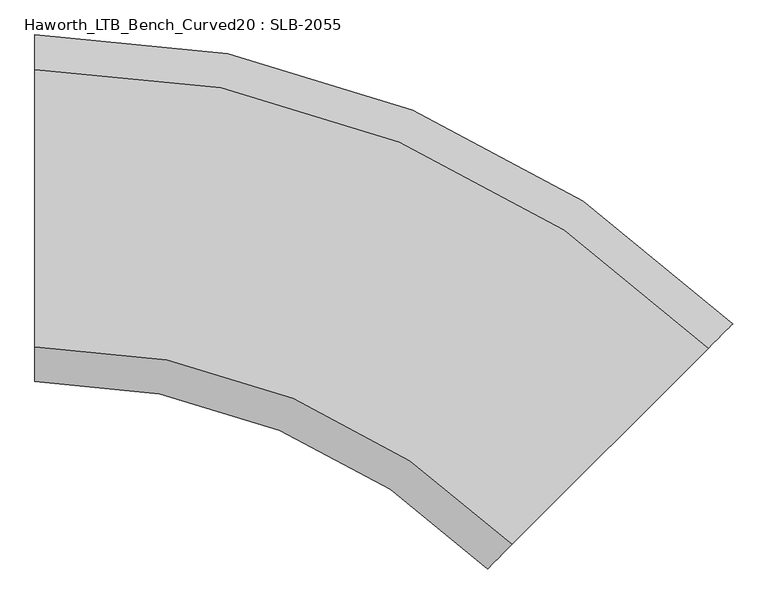
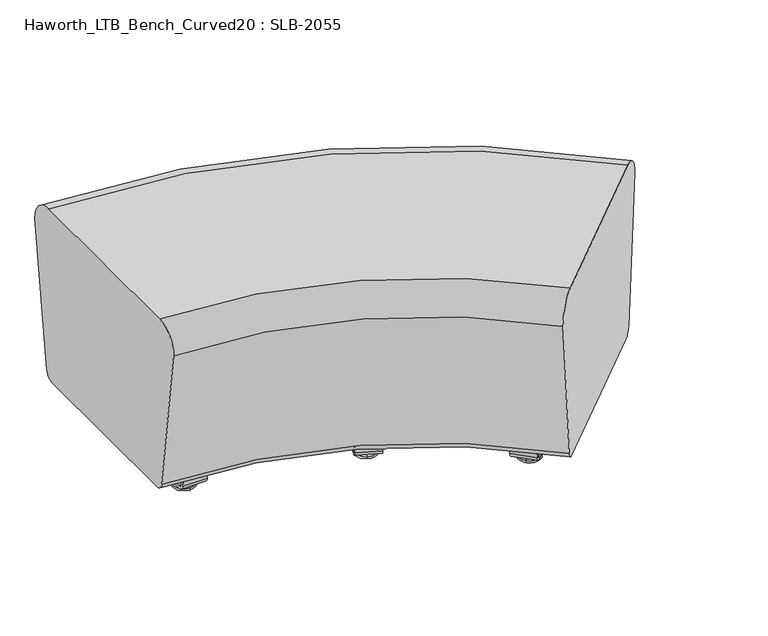
"""IFC4 building model written with IfcOpenShell, lengths in millimetres: furniture geometry, Haworth_LTB_Bench_Curved20 : SLB-2055."""

from ifc_helpers import new_model, si_unit, point, frame, frame_2d, origin, place, context, project, spatial, polyline, circle_curve, ellipse_curve, trimmed, segment, composite_curve, outline, extrude, source, transform, mapped, element, save
from ifc_brep_helpers import plane_surface, cylinder_surface, revolved_surface, advanced_brep


def haworth_ltb_bench_curved20_slb_2055_7f0cf8d8(model_context):
    return source(origin(), model_context, "Body", "SolidModel", [
        advanced_brep(
        [(668.2657909, -374.5060237, 7.8133431), (661.5305988, -381.2412158, 7.8133431), (659.2437991, -383.5280155, 7.8133431), (670.5525906, -372.219224, 7.8133431), (649.3850661, -393.3867485, 4.0775), (680.4113236, -362.360491, 4.0775), (649.6753697, -393.0964449, 0.0), (680.12102, -362.6507946, 0.0), (664.8981948, -377.8736198, 0.0), (664.8981948, -377.8736198, 50.0000004), (661.5305988, -381.2412158, 50.0000004), (668.2657909, -374.5060237, 50.0000004)],
        [
            (0, 1, circle_curve(frame((664.8981948, -377.8736198, 7.8133431), z_axis=(0.0, 0.0, -1.0), x_axis=(-0.7071067811865458, -0.7071067811865493, 0.0)), 4.7625)),
            (1, 2),
            (2, 3, circle_curve(frame((664.8981948, -377.8736198, 7.8133431), z_axis=(0.0, 0.0, 1.0), x_axis=(-0.7071067811865458, -0.7071067811865493, 0.0)), 7.9965232)),
            (3, 0),
            (1, 0, circle_curve(frame((664.8981948, -377.8736198, 7.8133431), z_axis=(0.0, 0.0, -1.0), x_axis=(-0.7071067811865458, -0.7071067811865493, 0.0)), 4.7625)),
            (3, 2, circle_curve(frame((664.8981948, -377.8736198, 7.8133431), z_axis=(0.0, 0.0, 1.0), x_axis=(-0.7071067811865458, -0.7071067811865493, 0.0)), 7.9965232)),
            (2, 4),
            (4, 5, circle_curve(frame((664.8981948, -377.8736198, 4.0775), z_axis=(0.0, 0.0, 1.0), x_axis=(-0.7071067811865458, -0.7071067811865493, 0.0)), 21.9388771)),
            (5, 3),
            (5, 4, circle_curve(frame((664.8981948, -377.8736198, 4.0775), z_axis=(0.0, 0.0, 1.0), x_axis=(-0.7071067811865458, -0.7071067811865493, 0.0)), 21.9388771)),
            (4, 6, circle_curve(frame((649.765011, -393.0068036, 2.0721829), z_axis=(0.7071067811865493, -0.7071067811865458, 0.0), x_axis=(0.7071067811865458, 0.7071067811865493, 0.0)), 2.0760571)),
            (6, 7, circle_curve(frame((664.8981948, -377.8736198, 0.0), z_axis=(0.0, 0.0, 1.0), x_axis=(-0.7071067811865458, -0.7071067811865493, 0.0)), 21.5283258)),
            (7, 5, circle_curve(frame((680.0313787, -362.7404359, 2.0721829), z_axis=(0.707106781186547, -0.7071067811865481, 0.0), x_axis=(-0.7071067811865481, -0.707106781186547, 0.0)), 2.0760571)),
            (7, 6, circle_curve(frame((664.8981948, -377.8736198, 0.0), z_axis=(0.0, 0.0, 1.0), x_axis=(-0.7071067811865458, -0.7071067811865493, 0.0)), 21.5283258)),
            (6, 8),
            (8, 7),
            (9, 10),
            (10, 11, circle_curve(frame((664.8981948, -377.8736198, 50.0000004), z_axis=(0.0, 0.0, 1.0), x_axis=(-0.7071067811865458, -0.7071067811865493, 0.0)), 4.7625)),
            (11, 9),
            (11, 10, circle_curve(frame((664.8981948, -377.8736198, 50.0000004), z_axis=(0.0, 0.0, 1.0), x_axis=(-0.7071067811865458, -0.7071067811865493, 0.0)), 4.7625)),
            (10, 1),
            (0, 11),
        ],
        [
            plane_surface(frame((664.8981948, -377.8736198, 7.8133431), z_axis=(0.0, 0.0, 1.0), x_axis=(-0.7071067811865458, -0.7071067811865493, 0.0))),
            revolved_surface(polyline([(649.3850661, -393.3867485, 4.0775), (659.2437991, -383.5280155, 7.8133431)]), (664.8981948, -377.8736198, 0.0), (0.0, 0.0, 1.0)),
            revolved_surface(trimmed(ellipse_curve(frame((649.765011, -393.0068036, 2.0721829), z_axis=(-0.7071067811865493, 0.7071067811865458, 0.0), x_axis=(0.7071067811865458, 0.7071067811865493, 0.0)), 2.0760571, 2.0760571), [point((649.6753697, -393.0964449, 0.0))], [point((649.3850661, -393.3867485, 4.0775))], True, "CARTESIAN"), (664.8981948, -377.8736198, 0.0), (0.0, 0.0, 1.0)),
            plane_surface(frame((664.8981948, -377.8736198, 0.0), z_axis=(0.0, 0.0, -1.0), x_axis=(-0.7071067811865458, -0.7071067811865493, 0.0))),
            plane_surface(frame((664.8981948, -377.8736198, 50.0000004), z_axis=(0.0, 0.0, 1.0), x_axis=(-0.7071067811865458, -0.7071067811865493, 0.0))),
            cylinder_surface(frame((664.8981948, -377.8736198, 0.0), z_axis=(0.0, 0.0, 1.0), x_axis=(-0.7071067811865458, -0.7071067811865493, 0.0)), 4.7625),
        ],
        [
            (0, [[1, 2, 3, 4]]),
            (0, [[5, -4, 6, -2]]),
            (1, [[-3, 7, 8, 9]]),
            (1, [[-6, -9, 10, -7]]),
            (2, [[-8, 11, 12, 13]]),
            (2, [[-10, -13, 14, -11]]),
            (3, [[-12, 15, 16]]),
            (3, [[-14, -16, -15]]),
            (4, [[17, 18, 19]]),
            (4, [[-19, 20, -17]]),
            (5, [[-18, 21, -1, 22]]),
            (5, [[-20, -22, -5, -21]]),
        ],
    ),
        advanced_brep(
        [(861.2486902, -181.5231244, 7.8133431), (872.5574817, -170.2143329, 7.8133431), (870.270682, -172.5011326, 7.8133431), (863.5354899, -179.2363247, 7.8133431), (851.3899572, -191.3818574, 4.0775), (882.4162147, -160.3555999, 4.0775), (851.6802608, -191.0915538, 0.0), (882.1259112, -160.6459035, 0.0), (866.903086, -175.8687286, 0.0), (863.5354899, -179.2363247, 50.0000004), (870.270682, -172.5011326, 50.0000004), (866.903086, -175.8687286, 50.0000004)],
        [
            (0, 1, circle_curve(frame((866.903086, -175.8687286, 7.8133431), z_axis=(0.0, 0.0, 1.0), x_axis=(0.707106781186548, 0.7071067811865471, 0.0)), 7.9965232)),
            (1, 2),
            (2, 3, circle_curve(frame((866.903086, -175.8687286, 7.8133431), z_axis=(0.0, 0.0, -1.0), x_axis=(0.707106781186548, 0.7071067811865471, 0.0)), 4.7625)),
            (3, 0),
            (1, 0, circle_curve(frame((866.903086, -175.8687286, 7.8133431), z_axis=(0.0, 0.0, 1.0), x_axis=(0.707106781186548, 0.7071067811865471, 0.0)), 7.9965232)),
            (3, 2, circle_curve(frame((866.903086, -175.8687286, 7.8133431), z_axis=(0.0, 0.0, -1.0), x_axis=(0.707106781186548, 0.7071067811865471, 0.0)), 4.7625)),
            (4, 5, circle_curve(frame((866.903086, -175.8687286, 4.0775), z_axis=(0.0, 0.0, 1.0), x_axis=(0.707106781186548, 0.7071067811865471, 0.0)), 21.9388771)),
            (5, 1),
            (0, 4),
            (5, 4, circle_curve(frame((866.903086, -175.8687286, 4.0775), z_axis=(0.0, 0.0, 1.0), x_axis=(0.707106781186548, 0.7071067811865471, 0.0)), 21.9388771)),
            (6, 7, circle_curve(frame((866.903086, -175.8687286, 0.0), z_axis=(0.0, 0.0, 1.0), x_axis=(0.707106781186548, 0.7071067811865471, 0.0)), 21.5283258)),
            (7, 5, circle_curve(frame((882.0362699, -160.7355447, 2.0721829), z_axis=(0.7071067811865471, -0.707106781186548, 0.0), x_axis=(-0.707106781186548, -0.7071067811865471, 0.0)), 2.0760571)),
            (4, 6, circle_curve(frame((851.7699021, -191.0019125, 2.0721829), z_axis=(0.7071067811865495, -0.7071067811865457, 0.0), x_axis=(0.7071067811865457, 0.7071067811865495, 0.0)), 2.0760571)),
            (7, 6, circle_curve(frame((866.903086, -175.8687286, 0.0), z_axis=(0.0, 0.0, 1.0), x_axis=(0.707106781186548, 0.7071067811865471, 0.0)), 21.5283258)),
            (8, 7),
            (6, 8),
            (9, 10, circle_curve(frame((866.903086, -175.8687286, 50.0000004), z_axis=(0.0, 0.0, 1.0), x_axis=(0.707106781186548, 0.7071067811865471, 0.0)), 4.7625)),
            (10, 11),
            (11, 9),
            (10, 9, circle_curve(frame((866.903086, -175.8687286, 50.0000004), z_axis=(0.0, 0.0, 1.0), x_axis=(0.707106781186548, 0.7071067811865471, 0.0)), 4.7625)),
            (2, 10),
            (9, 3),
        ],
        [
            plane_surface(frame((866.903086, -175.8687286, 7.8133431), z_axis=(0.0, 0.0, 1.0), x_axis=(0.707106781186548, 0.7071067811865471, 0.0))),
            revolved_surface(polyline([(872.5574817, -170.2143329, 7.8133431), (882.4162147, -160.3555999, 4.0775)]), (866.903086, -175.8687286, 0.0), (0.0, 0.0, -1.0)),
            revolved_surface(trimmed(ellipse_curve(frame((882.0362699, -160.7355447, 2.0721829), z_axis=(-0.7071067811865471, 0.707106781186548, 0.0), x_axis=(-0.707106781186548, -0.7071067811865471, 0.0)), 2.0760571, 2.0760571), [point((882.4162147, -160.3555999, 4.0775))], [point((882.1259112, -160.6459035, 0.0))], True, "CARTESIAN"), (866.903086, -175.8687286, 0.0), (0.0, 0.0, -1.0)),
            plane_surface(frame((866.903086, -175.8687286, 0.0), z_axis=(0.0, 0.0, -1.0), x_axis=(0.707106781186548, 0.7071067811865471, 0.0))),
            plane_surface(frame((866.903086, -175.8687286, 50.0000004), z_axis=(0.0, 0.0, 1.0), x_axis=(0.707106781186548, 0.7071067811865471, 0.0))),
            cylinder_surface(frame((866.903086, -175.8687286, 0.0), z_axis=(0.0, 0.0, -1.0), x_axis=(0.707106781186548, 0.7071067811865471, 0.0)), 4.7625),
        ],
        [
            (0, [[1, 2, 3, 4]]),
            (0, [[5, -4, 6, -2]]),
            (1, [[7, 8, -1, 9]]),
            (1, [[10, -9, -5, -8]]),
            (2, [[11, 12, -7, 13]]),
            (2, [[14, -13, -10, -12]]),
            (3, [[15, -11, 16]]),
            (3, [[-16, -14, -15]]),
            (4, [[17, 18, 19]]),
            (4, [[20, -19, -18]]),
            (5, [[-3, 21, -17, 22]]),
            (5, [[-6, -22, -20, -21]]),
        ],
    ),
        extrude(outline(composite_curve([segment(polyline([(0.0, 0.0), (-1.2e-06, -5.6900076), (-35.4274256, -5.6900007)]), True, "CONTINUOUS"), segment(trimmed(circle_curve(frame_2d((-35.4274274, -15.0000027)), 9.310002), [point((-35.4274256, -5.6900007))], [point((-44.6468251, -13.7043009))], True, "CARTESIAN"), True, "CONTINUOUS"), segment(polyline([(-44.6468251, -13.7043009), (-91.6403805, -348.0808441)]), True, "CONTINUOUS"), segment(trimmed(circle_curve(frame_2d((-82.4209827, -349.3765458)), 9.310002), [point((-91.6403805, -348.0808441))], [point((-84.9871652, -358.3258946))], True, "CARTESIAN"), True, "CONTINUOUS"), segment(polyline([(-84.9871652, -358.3258946), (-50.932137, -368.091009), (-52.5005144, -373.5605955), (-86.5555449, -363.7954735)]), True, "CONTINUOUS"), segment(trimmed(circle_curve(frame_2d((-82.4209845, -349.3765469)), 15.000001), [point((-86.5555449, -363.7954735))], [point((-97.2750065, -347.2889503))], False, "CARTESIAN"), True, "CONTINUOUS"), segment(polyline([(-97.2750065, -347.2889503), (-50.2814508, -12.9124045)]), True, "CONTINUOUS"), segment(trimmed(circle_curve(frame_2d((-35.4274288, -15.000001)), 15.000001), [point((-50.2814508, -12.9124045))], [point((-35.4274288, -1e-07))], False, "CARTESIAN"), True, "CONTINUOUS"), segment(polyline([(-35.4274288, -1e-07), (0.0, 0.0)]), True, "CONTINUOUS")], self_intersect=False)), frame((917.2327307, -161.4601084, 62.9950557), z_axis=(-0.7071067811865471, 0.707106781186548, 0.0), x_axis=(0.09841023703060935, 0.09841023703060922, 0.9902680700169821)), (0.0, 0.0, 1.0), 50.8),
        advanced_brep(
        [(418.2664228, -215.2155294, 7.8133431), (414.6213631, -224.015482, 7.8133431), (413.383756, -227.0033298, 7.8133431), (419.5040299, -212.2276816, 7.8133431), (408.0482482, -239.8843852, 4.0775), (424.8395377, -199.3466262, 4.0775), (408.2053593, -239.5050853, 0.0), (424.6824266, -199.7259261, 0.0), (416.4438929, -219.6155057, 0.0), (416.4438929, -219.6155057, 50.0000004), (414.6213631, -224.015482, 50.0000004), (418.2664228, -215.2155294, 50.0000004)],
        [
            (0, 1, circle_curve(frame((416.4438929, -219.6155057, 7.8133431), z_axis=(0.0, 0.0, -1.0), x_axis=(-0.38268343236508784, -0.9238795325112876, 0.0)), 4.7625)),
            (1, 2),
            (2, 3, circle_curve(frame((416.4438929, -219.6155057, 7.8133431), z_axis=(0.0, 0.0, 1.0), x_axis=(-0.38268343236508784, -0.9238795325112876, 0.0)), 7.9965232)),
            (3, 0),
            (1, 0, circle_curve(frame((416.4438929, -219.6155057, 7.8133431), z_axis=(0.0, 0.0, -1.0), x_axis=(-0.38268343236508784, -0.9238795325112876, 0.0)), 4.7625)),
            (3, 2, circle_curve(frame((416.4438929, -219.6155057, 7.8133431), z_axis=(0.0, 0.0, 1.0), x_axis=(-0.38268343236508784, -0.9238795325112876, 0.0)), 7.9965232)),
            (2, 4),
            (4, 5, circle_curve(frame((416.4438929, -219.6155057, 4.0775), z_axis=(0.0, 0.0, 1.0), x_axis=(-0.38268343236508784, -0.9238795325112876, 0.0)), 21.9388771)),
            (5, 3),
            (5, 4, circle_curve(frame((416.4438929, -219.6155057, 4.0775), z_axis=(0.0, 0.0, 1.0), x_axis=(-0.38268343236508784, -0.9238795325112876, 0.0)), 21.9388771)),
            (4, 6, circle_curve(frame((408.2538728, -239.3879633, 2.0721829), z_axis=(0.9238795325112876, -0.3826834323650878, 0.0), x_axis=(0.3826834323650878, 0.9238795325112876, 0.0)), 2.0760571)),
            (6, 7, circle_curve(frame((416.4438929, -219.6155057, 0.0), z_axis=(0.0, 0.0, 1.0), x_axis=(-0.38268343236508784, -0.9238795325112876, 0.0)), 21.5283258)),
            (7, 5, circle_curve(frame((424.633913, -199.8430481, 2.0721829), z_axis=(0.9238795325112864, -0.3826834323650908, 0.0), x_axis=(-0.3826834323650908, -0.9238795325112864, 0.0)), 2.0760571)),
            (7, 6, circle_curve(frame((416.4438929, -219.6155057, 0.0), z_axis=(0.0, 0.0, 1.0), x_axis=(-0.38268343236508784, -0.9238795325112876, 0.0)), 21.5283258)),
            (6, 8),
            (8, 7),
            (9, 10),
            (10, 11, circle_curve(frame((416.4438929, -219.6155057, 50.0000004), z_axis=(0.0, 0.0, 1.0), x_axis=(-0.38268343236508784, -0.9238795325112876, 0.0)), 4.7625)),
            (11, 9),
            (11, 10, circle_curve(frame((416.4438929, -219.6155057, 50.0000004), z_axis=(0.0, 0.0, 1.0), x_axis=(-0.38268343236508784, -0.9238795325112876, 0.0)), 4.7625)),
            (10, 1),
            (0, 11),
        ],
        [
            plane_surface(frame((416.4438929, -219.6155057, 7.8133431), z_axis=(0.0, 0.0, 1.0000000000000002), x_axis=(-0.38268343236508784, -0.9238795325112876, 0.0))),
            revolved_surface(polyline([(408.0482482, -239.8843852, 4.0775), (413.383756, -227.0033298, 7.8133431)]), (416.4438929, -219.6155057, 0.0), (0.0, 0.0, 1.0)),
            revolved_surface(trimmed(ellipse_curve(frame((408.2538728, -239.3879633, 2.0721829), z_axis=(-0.9238795325112876, 0.3826834323650878, 0.0), x_axis=(0.3826834323650878, 0.9238795325112876, 0.0)), 2.0760571, 2.0760571), [point((408.2053593, -239.5050853, 0.0))], [point((408.0482482, -239.8843852, 4.0775))], True, "CARTESIAN"), (416.4438929, -219.6155057, 0.0), (0.0, 0.0, 1.0)),
            plane_surface(frame((416.4438929, -219.6155057, 0.0), z_axis=(0.0, 0.0, -1.0000000000000002), x_axis=(-0.38268343236508784, -0.9238795325112876, 0.0))),
            plane_surface(frame((416.4438929, -219.6155057, 50.0000004), z_axis=(0.0, 0.0, 1.0000000000000002), x_axis=(-0.38268343236508784, -0.9238795325112876, 0.0))),
            cylinder_surface(frame((416.4438929, -219.6155057, 0.0), z_axis=(0.0, 0.0, 1.0), x_axis=(-0.38268343236508784, -0.9238795325112876, 0.0)), 4.7625),
        ],
        [
            (0, [[1, 2, 3, 4]]),
            (0, [[5, -4, 6, -2]]),
            (1, [[-3, 7, 8, 9]]),
            (1, [[-6, -9, 10, -7]]),
            (2, [[-8, 11, 12, 13]]),
            (2, [[-10, -13, 14, -11]]),
            (3, [[-12, 15, 16]]),
            (3, [[-14, -16, -15]]),
            (4, [[17, 18, 19]]),
            (4, [[-19, 20, -17]]),
            (5, [[-18, 21, -1, 22]]),
            (5, [[-20, -22, -5, -21]]),
        ],
    ),
        advanced_brep(
        [(522.7080153, 36.9287797, 7.8133431), (528.8282892, 51.7044279, 7.8133431), (527.5906821, 48.7165801, 7.8133431), (523.9456224, 39.9166275, 7.8133431), (517.3725075, 24.0477243, 4.0775), (534.163797, 64.5854833, 4.0775), (517.5296186, 24.4270242, 0.0), (534.0066858, 64.2061834, 0.0), (525.7681522, 44.3166038, 0.0), (523.9456224, 39.9166275, 50.0000004), (527.5906821, 48.7165801, 50.0000004), (525.7681522, 44.3166038, 50.0000004)],
        [
            (0, 1, circle_curve(frame((525.7681522, 44.3166038, 7.8133431), z_axis=(0.0, 0.0, 1.0), x_axis=(0.3826834323650909, 0.9238795325112864, 0.0)), 7.9965232)),
            (1, 2),
            (2, 3, circle_curve(frame((525.7681522, 44.3166038, 7.8133431), z_axis=(0.0, 0.0, -1.0), x_axis=(0.3826834323650909, 0.9238795325112864, 0.0)), 4.7625)),
            (3, 0),
            (1, 0, circle_curve(frame((525.7681522, 44.3166038, 7.8133431), z_axis=(0.0, 0.0, 1.0), x_axis=(0.3826834323650909, 0.9238795325112864, 0.0)), 7.9965232)),
            (3, 2, circle_curve(frame((525.7681522, 44.3166038, 7.8133431), z_axis=(0.0, 0.0, -1.0), x_axis=(0.3826834323650909, 0.9238795325112864, 0.0)), 4.7625)),
            (4, 5, circle_curve(frame((525.7681522, 44.3166038, 4.0775), z_axis=(0.0, 0.0, 1.0), x_axis=(0.3826834323650909, 0.9238795325112864, 0.0)), 21.9388771)),
            (5, 1),
            (0, 4),
            (5, 4, circle_curve(frame((525.7681522, 44.3166038, 4.0775), z_axis=(0.0, 0.0, 1.0), x_axis=(0.3826834323650909, 0.9238795325112864, 0.0)), 21.9388771)),
            (6, 7, circle_curve(frame((525.7681522, 44.3166038, 0.0), z_axis=(0.0, 0.0, 1.0), x_axis=(0.3826834323650909, 0.9238795325112864, 0.0)), 21.5283258)),
            (7, 5, circle_curve(frame((533.9581723, 64.0890614, 2.0721829), z_axis=(0.9238795325112864, -0.3826834323650909, 0.0), x_axis=(-0.3826834323650909, -0.9238795325112864, 0.0)), 2.0760571)),
            (4, 6, circle_curve(frame((517.5781321, 24.5441462, 2.0721829), z_axis=(0.9238795325112876, -0.3826834323650879, 0.0), x_axis=(0.3826834323650879, 0.9238795325112876, 0.0)), 2.0760571)),
            (7, 6, circle_curve(frame((525.7681522, 44.3166038, 0.0), z_axis=(0.0, 0.0, 1.0), x_axis=(0.3826834323650909, 0.9238795325112864, 0.0)), 21.5283258)),
            (8, 7),
            (6, 8),
            (9, 10, circle_curve(frame((525.7681522, 44.3166038, 50.0000004), z_axis=(0.0, 0.0, 1.0), x_axis=(0.3826834323650909, 0.9238795325112864, 0.0)), 4.7625)),
            (10, 11),
            (11, 9),
            (10, 9, circle_curve(frame((525.7681522, 44.3166038, 50.0000004), z_axis=(0.0, 0.0, 1.0), x_axis=(0.3826834323650909, 0.9238795325112864, 0.0)), 4.7625)),
            (2, 10),
            (9, 3),
        ],
        [
            plane_surface(frame((525.7681522, 44.3166038, 7.8133431), z_axis=(0.0, 0.0, 1.0000000000000002), x_axis=(0.3826834323650909, 0.9238795325112864, 0.0))),
            revolved_surface(polyline([(528.8282892, 51.7044279, 7.8133431), (534.163797, 64.5854833, 4.0775)]), (525.7681522, 44.3166038, 0.0), (0.0, 0.0, -1.0)),
            revolved_surface(trimmed(ellipse_curve(frame((533.9581723, 64.0890614, 2.0721829), z_axis=(-0.9238795325112864, 0.3826834323650909, 0.0), x_axis=(-0.3826834323650909, -0.9238795325112864, 0.0)), 2.0760571, 2.0760571), [point((534.163797, 64.5854833, 4.0775))], [point((534.0066858, 64.2061834, 0.0))], True, "CARTESIAN"), (525.7681522, 44.3166038, 0.0), (0.0, 0.0, -1.0)),
            plane_surface(frame((525.7681522, 44.3166038, 0.0), z_axis=(0.0, 0.0, -1.0000000000000002), x_axis=(0.3826834323650909, 0.9238795325112864, 0.0))),
            plane_surface(frame((525.7681522, 44.3166038, 50.0000004), z_axis=(0.0, 0.0, 1.0000000000000002), x_axis=(0.3826834323650909, 0.9238795325112864, 0.0))),
            cylinder_surface(frame((525.7681522, 44.3166038, 0.0), z_axis=(0.0, 0.0, -1.0), x_axis=(0.3826834323650909, 0.9238795325112864, 0.0)), 4.7625),
        ],
        [
            (0, [[1, 2, 3, 4]]),
            (0, [[5, -4, 6, -2]]),
            (1, [[7, 8, -1, 9]]),
            (1, [[10, -9, -5, -8]]),
            (2, [[11, 12, -7, 13]]),
            (2, [[14, -13, -10, -12]]),
            (3, [[15, -11, 16]]),
            (3, [[-16, -14, -15]]),
            (4, [[17, 18, 19]]),
            (4, [[20, -19, -18]]),
            (5, [[-3, 21, -17, 22]]),
            (5, [[-6, -22, -20, -21]]),
        ],
    ),
        extrude(outline(composite_curve([segment(polyline([(0.0, 0.0), (-1.1e-06, -5.6900075), (-35.4274256, -5.6900005)]), True, "CONTINUOUS"), segment(trimmed(circle_curve(frame_2d((-35.4274274, -15.0000026)), 9.310002), [point((-35.4274256, -5.6900005))], [point((-44.6468251, -13.7043008))], True, "CARTESIAN"), True, "CONTINUOUS"), segment(polyline([(-44.6468251, -13.7043008), (-91.6403804, -348.0808439)]), True, "CONTINUOUS"), segment(trimmed(circle_curve(frame_2d((-82.4209827, -349.3765456)), 9.310002), [point((-91.6403804, -348.0808439))], [point((-84.9871652, -358.3258945))], True, "CARTESIAN"), True, "CONTINUOUS"), segment(polyline([(-84.9871652, -358.3258945), (-50.932137, -368.0910089), (-52.5005144, -373.5605955), (-86.5555448, -363.7954733)]), True, "CONTINUOUS"), segment(trimmed(circle_curve(frame_2d((-82.4209845, -349.3765468)), 15.000001), [point((-86.5555448, -363.7954733))], [point((-97.2750065, -347.2889503))], False, "CARTESIAN"), True, "CONTINUOUS"), segment(polyline([(-97.2750065, -347.2889503), (-50.2814508, -12.9124045)]), True, "CONTINUOUS"), segment(trimmed(circle_curve(frame_2d((-35.4274288, -15.0000011)), 15.000001), [point((-50.2814508, -12.9124045))], [point((-35.4274288, 0.0))], False, "CARTESIAN"), True, "CONTINUOUS"), segment(polyline([(-35.4274288, 0.0), (0.0, 0.0)]), True, "CONTINUOUS")], self_intersect=False)), frame((566.7527406, 76.8887542, 62.9950557), z_axis=(-0.9238795325112863, 0.38268343236509084, 0.0), x_axis=(0.05325923649542972, 0.1285791710689021, 0.9902680700169818)), (0.0, 0.0, 1.0), 50.8),
        advanced_brep(
        [(0.0, -249.9820603, 374.65), (0.0, -200.0364582, 425.0000032), (0.0, 200.0364582, 425.0000032), (0.0, 249.9820603, 374.65), (0.0, 206.6601731, 66.3987528), (0.0, 187.7955663, 50.0000004), (0.0, -187.7955663, 50.0000004), (0.0, -206.6601731, 66.3987528), (652.4485474, -520.2350974, 374.65), (683.0817477, -489.6018972, 66.3987528), (696.421039, -476.2626058, 50.0000004), (962.0040759, -210.679569, 50.0000004), (975.3433672, -197.3402776, 66.3987528), (1005.9765675, -166.7070774, 374.65), (970.6596936, -202.0239513, 425.0000032), (687.7654214, -484.9182235, 425.0000032)],
        [
            (0, 1, circle_curve(frame((0.0, -200.0364582, 375.0527771), z_axis=(-1.0, 0.0, 0.0), x_axis=(0.0, -1.0, 0.0)), 49.9472261)),
            (1, 2),
            (2, 3, circle_curve(frame((0.0, 200.0364582, 375.0527771), z_axis=(-1.0, 0.0, 0.0), x_axis=(0.0, -1.0, 0.0)), 49.9472261)),
            (3, 4),
            (4, 5, circle_curve(frame((0.0, 187.7955663, 69.0500004), z_axis=(-1.0, 0.0, 0.0), x_axis=(0.0, -1.0, 0.0)), 19.05)),
            (5, 6),
            (6, 7, circle_curve(frame((0.0, -187.7955663, 69.0500004), z_axis=(-1.0, 0.0, 0.0), x_axis=(0.0, -1.0, 0.0)), 19.05)),
            (7, 0),
            (8, 9),
            (9, 10, circle_curve(frame((696.421039, -476.2626058, 69.0500004), z_axis=(0.707106781186547, -0.707106781186548, 0.0), x_axis=(-0.707106781186548, -0.707106781186547, 0.0)), 19.05)),
            (10, 11),
            (11, 12, circle_curve(frame((962.0040759, -210.679569, 69.0500004), z_axis=(0.707106781186547, -0.707106781186548, 0.0), x_axis=(-0.707106781186548, -0.707106781186547, 0.0)), 19.05)),
            (12, 13),
            (13, 14, circle_curve(frame((970.6596936, -202.0239513, 375.0527771), z_axis=(0.707106781186547, -0.707106781186548, 0.0), x_axis=(-0.707106781186548, -0.707106781186547, 0.0)), 49.9472261)),
            (14, 15),
            (15, 8, circle_curve(frame((687.7654214, -484.9182235, 375.0527771), z_axis=(0.707106781186547, -0.707106781186548, 0.0), x_axis=(-0.707106781186548, -0.707106781186547, 0.0)), 49.9472261)),
            (12, 4, circle_curve(frame((0.0, -1172.6836449, 66.3987528), z_axis=(0.0, 0.0, 1.0), x_axis=(0.0, 1.0, 0.0)), 1379.3438179)),
            (3, 13, circle_curve(frame((0.0, -1172.6836449, 374.65), z_axis=(0.0, 0.0, -1.0), x_axis=(0.0, 1.0, 0.0)), 1422.6657052)),
            (11, 5, circle_curve(frame((0.0, -1172.6836449, 50.0000004), z_axis=(0.0, 0.0, 1.0), x_axis=(0.0, 1.0, 0.0)), 1360.4792112)),
            (10, 6, circle_curve(frame((0.0, -1172.6836449, 50.0000004), z_axis=(0.0, 0.0, 1.0), x_axis=(0.0, 1.0, 0.0)), 984.8880785)),
            (9, 7, circle_curve(frame((0.0, -1172.6836449, 66.3987528), z_axis=(0.0, 0.0, 1.0), x_axis=(0.0, 1.0, 0.0)), 966.0234718)),
            (8, 0, circle_curve(frame((0.0, -1172.6836449, 374.65), z_axis=(0.0, 0.0, 1.0), x_axis=(0.0, 1.0, 0.0)), 922.7015845)),
            (15, 1, circle_curve(frame((0.0, -1172.6836449, 425.0000032), z_axis=(0.0, 0.0, 1.0), x_axis=(0.0, 1.0, 0.0)), 972.6471866)),
            (14, 2, circle_curve(frame((0.0, -1172.6836449, 425.0000032), z_axis=(0.0, 0.0, 1.0), x_axis=(0.0, 1.0, 0.0)), 1372.7201031)),
        ],
        [
            plane_surface(frame((0.0, -1172.6836449, 50.0000004), z_axis=(-1.0, 0.0, 0.0), x_axis=(0.0, 1.0, 0.0))),
            plane_surface(frame((0.0, -1172.6836449, 50.0000004), z_axis=(0.707106781186547, -0.707106781186548, 0.0), x_axis=(0.707106781186548, 0.707106781186547, 0.0))),
            revolved_surface(polyline([(0.0, 249.9820603, 374.65), (0.0, 206.6601731, 66.3987528)]), (0.0, -1172.6836449, 50.0000004), (0.0, 0.0, -1.0)),
            revolved_surface(trimmed(ellipse_curve(frame((0.0, 187.7955663, 69.0500004), z_axis=(-1.0, 0.0, 0.0), x_axis=(0.0, -1.0, 0.0)), 19.05, 19.05), [point((0.0, 206.6601731, 66.3987528))], [point((0.0, 187.7955663, 50.0000004))], True, "CARTESIAN"), (0.0, -1172.6836449, 50.0000004), (0.0, 0.0, -1.0)),
            plane_surface(frame((0.0, -1172.6836449, 50.0000004), z_axis=(0.0, 0.0, -1.0), x_axis=(0.0, 1.0, 0.0))),
            revolved_surface(trimmed(ellipse_curve(frame((0.0, -187.7955663, 69.0500004), z_axis=(-1.0, 0.0, 0.0), x_axis=(0.0, -1.0, 0.0)), 19.05, 19.05), [point((0.0, -187.7955663, 50.0000004))], [point((0.0, -206.6601731, 66.3987528))], True, "CARTESIAN"), (0.0, -1172.6836449, 50.0000004), (0.0, 0.0, -1.0)),
            revolved_surface(polyline([(0.0, -206.6601731, 66.3987528), (0.0, -249.9820603, 374.65)]), (0.0, -1172.6836449, 50.0000004), (0.0, 0.0, -1.0)),
            revolved_surface(trimmed(ellipse_curve(frame((0.0, -200.0364582, 375.0527771), z_axis=(-1.0, 0.0, 0.0), x_axis=(0.0, -1.0, 0.0)), 49.9472261, 49.9472261), [point((0.0, -249.9820603, 374.65))], [point((0.0, -200.0364582, 425.0000032))], True, "CARTESIAN"), (0.0, -1172.6836449, 50.0000004), (0.0, 0.0, -1.0)),
            plane_surface(frame((0.0, -1172.6836449, 425.0000032), z_axis=(0.0, 0.0, 1.0), x_axis=(0.0, 1.0, 0.0))),
            revolved_surface(trimmed(ellipse_curve(frame((0.0, 200.0364582, 375.0527771), z_axis=(-1.0, 0.0, 0.0), x_axis=(0.0, -1.0, 0.0)), 49.9472261, 49.9472261), [point((0.0, 200.0364582, 425.0000032))], [point((0.0, 249.9820603, 374.65))], True, "CARTESIAN"), (0.0, -1172.6836449, 50.0000004), (0.0, 0.0, -1.0)),
        ],
        [
            (0, [[1, 2, 3, 4, 5, 6, 7, 8]]),
            (1, [[9, 10, 11, 12, 13, 14, 15, 16]]),
            (2, [[17, -4, 18, -13]]),
            (3, [[19, -5, -17, -12]]),
            (4, [[20, -6, -19, -11]]),
            (5, [[21, -7, -20, -10]]),
            (6, [[22, -8, -21, -9]]),
            (7, [[23, -1, -22, -16]]),
            (8, [[24, -2, -23, -15]]),
            (9, [[-18, -3, -24, -14]]),
        ],
    ),
        advanced_brep(
        [(82.4954642, -138.0765284, 7.8133431), (82.4954642, -147.6015284, 7.8133431), (82.4954642, -150.8355515, 7.8133431), (82.4954642, -134.8425052, 7.8133431), (82.4954642, -164.7779054, 4.0775), (82.4954642, -120.9001513, 4.0775), (82.4954642, -164.3673542, 0.0), (82.4954642, -121.3107026, 0.0), (82.4954642, -142.8390284, 0.0), (82.4954642, -142.8390284, 50.0000004), (82.4954642, -147.6015284, 50.0000004), (82.4954642, -138.0765284, 50.0000004)],
        [
            (0, 1, circle_curve(frame((82.4954642, -142.8390284, 7.8133431), z_axis=(0.0, 0.0, -1.0), x_axis=(0.0, -1.0, 0.0)), 4.7625)),
            (1, 2),
            (2, 3, circle_curve(frame((82.4954642, -142.8390284, 7.8133431), z_axis=(0.0, 0.0, 1.0), x_axis=(0.0, -1.0, 0.0)), 7.9965232)),
            (3, 0),
            (1, 0, circle_curve(frame((82.4954642, -142.8390284, 7.8133431), z_axis=(0.0, 0.0, -1.0), x_axis=(0.0, -1.0, 0.0)), 4.7625)),
            (3, 2, circle_curve(frame((82.4954642, -142.8390284, 7.8133431), z_axis=(0.0, 0.0, 1.0), x_axis=(0.0, -1.0, 0.0)), 7.9965232)),
            (2, 4),
            (4, 5, circle_curve(frame((82.4954642, -142.8390284, 4.0775), z_axis=(0.0, 0.0, 1.0), x_axis=(0.0, -1.0, 0.0)), 21.9388771)),
            (5, 3),
            (5, 4, circle_curve(frame((82.4954642, -142.8390284, 4.0775), z_axis=(0.0, 0.0, 1.0), x_axis=(0.0, -1.0, 0.0)), 21.9388771)),
            (4, 6, circle_curve(frame((82.4954642, -164.2405822, 2.0721829), z_axis=(1.0, 0.0, 0.0), x_axis=(0.0, 1.0, 0.0)), 2.0760571)),
            (6, 7, circle_curve(frame((82.4954642, -142.8390284, 0.0), z_axis=(0.0, 0.0, 1.0), x_axis=(0.0, -1.0, 0.0)), 21.5283258)),
            (7, 5, circle_curve(frame((82.4954642, -121.4374745, 2.0721829), z_axis=(1.0, 0.0, 0.0), x_axis=(0.0, -1.0, 0.0)), 2.0760571)),
            (7, 6, circle_curve(frame((82.4954642, -142.8390284, 0.0), z_axis=(0.0, 0.0, 1.0), x_axis=(0.0, -1.0, 0.0)), 21.5283258)),
            (6, 8),
            (8, 7),
            (9, 10),
            (10, 11, circle_curve(frame((82.4954642, -142.8390284, 50.0000004), z_axis=(0.0, 0.0, 1.0), x_axis=(0.0, -1.0, 0.0)), 4.7625)),
            (11, 9),
            (11, 10, circle_curve(frame((82.4954642, -142.8390284, 50.0000004), z_axis=(0.0, 0.0, 1.0), x_axis=(0.0, -1.0, 0.0)), 4.7625)),
            (10, 1),
            (0, 11),
        ],
        [
            plane_surface(frame((82.4954642, -142.8390284, 7.8133431), z_axis=(0.0, 0.0, 1.0), x_axis=(0.0, -1.0, 0.0))),
            revolved_surface(polyline([(82.4954642, -164.7779054, 4.0775), (82.4954642, -150.8355515, 7.8133431)]), (82.4954642, -142.8390284, 0.0), (0.0, 0.0, 1.0)),
            revolved_surface(trimmed(ellipse_curve(frame((82.4954642, -164.2405822, 2.0721829), z_axis=(-1.0, 0.0, 0.0), x_axis=(0.0, 1.0, 0.0)), 2.0760571, 2.0760571), [point((82.4954642, -164.3673542, 0.0))], [point((82.4954642, -164.7779054, 4.0775))], True, "CARTESIAN"), (82.4954642, -142.8390284, 0.0), (0.0, 0.0, 1.0)),
            plane_surface(frame((82.4954642, -142.8390284, 0.0), z_axis=(0.0, 0.0, -1.0), x_axis=(0.0, -1.0, 0.0))),
            plane_surface(frame((82.4954642, -142.8390284, 50.0000004), z_axis=(0.0, 0.0, 1.0), x_axis=(0.0, -1.0, 0.0))),
            cylinder_surface(frame((82.4954642, -142.8390284, 0.0), z_axis=(0.0, 0.0, 1.0), x_axis=(0.0, -1.0, 0.0)), 4.7625),
        ],
        [
            (0, [[1, 2, 3, 4]]),
            (0, [[5, -4, 6, -2]]),
            (1, [[-3, 7, 8, 9]]),
            (1, [[-6, -9, 10, -7]]),
            (2, [[-8, 11, 12, 13]]),
            (2, [[-10, -13, 14, -11]]),
            (3, [[-12, 15, 16]]),
            (3, [[-14, -16, -15]]),
            (4, [[17, 18, 19]]),
            (4, [[-19, 20, -17]]),
            (5, [[-18, 21, -1, 22]]),
            (5, [[-20, -22, -5, -21]]),
        ],
    ),
        advanced_brep(
        [(82.4954642, 134.8425052, 7.8133431), (82.4954642, 150.8355515, 7.8133431), (82.4954642, 147.6015284, 7.8133431), (82.4954642, 138.0765284, 7.8133431), (82.4954642, 120.9001513, 4.0775), (82.4954642, 164.7779054, 4.0775), (82.4954642, 121.3107026, 0.0), (82.4954642, 164.3673542, 0.0), (82.4954642, 142.8390284, 0.0), (82.4954642, 138.0765284, 50.0000004), (82.4954642, 147.6015284, 50.0000004), (82.4954642, 142.8390284, 50.0000004)],
        [
            (0, 1, circle_curve(frame((82.4954642, 142.8390284, 7.8133431), z_axis=(0.0, 0.0, 1.0), x_axis=(0.0, 1.0, 0.0)), 7.9965232)),
            (1, 2),
            (2, 3, circle_curve(frame((82.4954642, 142.8390284, 7.8133431), z_axis=(0.0, 0.0, -1.0), x_axis=(0.0, 1.0, 0.0)), 4.7625)),
            (3, 0),
            (1, 0, circle_curve(frame((82.4954642, 142.8390284, 7.8133431), z_axis=(0.0, 0.0, 1.0), x_axis=(0.0, 1.0, 0.0)), 7.9965232)),
            (3, 2, circle_curve(frame((82.4954642, 142.8390284, 7.8133431), z_axis=(0.0, 0.0, -1.0), x_axis=(0.0, 1.0, 0.0)), 4.7625)),
            (4, 5, circle_curve(frame((82.4954642, 142.8390284, 4.0775), z_axis=(0.0, 0.0, 1.0), x_axis=(0.0, 1.0, 0.0)), 21.9388771)),
            (5, 1),
            (0, 4),
            (5, 4, circle_curve(frame((82.4954642, 142.8390284, 4.0775), z_axis=(0.0, 0.0, 1.0), x_axis=(0.0, 1.0, 0.0)), 21.9388771)),
            (6, 7, circle_curve(frame((82.4954642, 142.8390284, 0.0), z_axis=(0.0, 0.0, 1.0), x_axis=(0.0, 1.0, 0.0)), 21.5283258)),
            (7, 5, circle_curve(frame((82.4954642, 164.2405822, 2.0721829), z_axis=(1.0, 0.0, 0.0), x_axis=(0.0, -1.0, 0.0)), 2.0760571)),
            (4, 6, circle_curve(frame((82.4954642, 121.4374745, 2.0721829), z_axis=(1.0, 0.0, 0.0), x_axis=(0.0, 1.0, 0.0)), 2.0760571)),
            (7, 6, circle_curve(frame((82.4954642, 142.8390284, 0.0), z_axis=(0.0, 0.0, 1.0), x_axis=(0.0, 1.0, 0.0)), 21.5283258)),
            (8, 7),
            (6, 8),
            (9, 10, circle_curve(frame((82.4954642, 142.8390284, 50.0000004), z_axis=(0.0, 0.0, 1.0), x_axis=(0.0, 1.0, 0.0)), 4.7625)),
            (10, 11),
            (11, 9),
            (10, 9, circle_curve(frame((82.4954642, 142.8390284, 50.0000004), z_axis=(0.0, 0.0, 1.0), x_axis=(0.0, 1.0, 0.0)), 4.7625)),
            (2, 10),
            (9, 3),
        ],
        [
            plane_surface(frame((82.4954642, 142.8390284, 7.8133431), z_axis=(0.0, 0.0, 1.0), x_axis=(0.0, 1.0, 0.0))),
            revolved_surface(polyline([(82.4954642, 150.8355515, 7.8133431), (82.4954642, 164.7779054, 4.0775)]), (82.4954642, 142.8390284, 0.0), (0.0, 0.0, -1.0)),
            revolved_surface(trimmed(ellipse_curve(frame((82.4954642, 164.2405822, 2.0721829), z_axis=(-1.0, 0.0, 0.0), x_axis=(0.0, -1.0, 0.0)), 2.0760571, 2.0760571), [point((82.4954642, 164.7779054, 4.0775))], [point((82.4954642, 164.3673542, 0.0))], True, "CARTESIAN"), (82.4954642, 142.8390284, 0.0), (0.0, 0.0, -1.0)),
            plane_surface(frame((82.4954642, 142.8390284, 0.0), z_axis=(0.0, 0.0, -1.0), x_axis=(0.0, 1.0, 0.0))),
            plane_surface(frame((82.4954642, 142.8390284, 50.0000004), z_axis=(0.0, 0.0, 1.0), x_axis=(0.0, 1.0, 0.0))),
            cylinder_surface(frame((82.4954642, 142.8390284, 0.0), z_axis=(0.0, 0.0, -1.0), x_axis=(0.0, 1.0, 0.0)), 4.7625),
        ],
        [
            (0, [[1, 2, 3, 4]]),
            (0, [[5, -4, 6, -2]]),
            (1, [[7, 8, -1, 9]]),
            (1, [[10, -9, -5, -8]]),
            (2, [[11, 12, -7, 13]]),
            (2, [[14, -13, -10, -12]]),
            (3, [[15, -11, 16]]),
            (3, [[-16, -14, -15]]),
            (4, [[17, 18, 19]]),
            (4, [[20, -19, -18]]),
            (5, [[-3, 21, -17, 22]]),
            (5, [[-6, -22, -20, -21]]),
        ],
    ),
        extrude(outline(composite_curve([segment(polyline([(188.6158944, 62.9950557), (183.6853496, 27.9124042)]), True, "CONTINUOUS"), segment(trimmed(circle_curve(frame_2d((168.8313276, 30.0000007)), 15.000001), [point((183.6853496, 27.9124042))], [point((168.8313276, 14.9999997))], False, "CARTESIAN"), True, "CONTINUOUS"), segment(polyline([(168.8313276, 14.9999997), (-168.8313276, 14.9999997)]), True, "CONTINUOUS"), segment(trimmed(circle_curve(frame_2d((-168.8313276, 30.0000007)), 15.000001), [point((-168.8313276, 14.9999997))], [point((-183.6853496, 27.9124042))], False, "CARTESIAN"), True, "CONTINUOUS"), segment(polyline([(-183.6853496, 27.9124042), (-188.6158944, 62.9950557), (-182.9812615, 63.7869505), (-178.0507241, 28.7043023)]), True, "CONTINUOUS"), segment(trimmed(circle_curve(frame_2d((-168.8313262, 30.0000023)), 9.310002), [point((-178.0507241, 28.7043023))], [point((-168.8313262, 20.6900003))], True, "CARTESIAN"), True, "CONTINUOUS"), segment(polyline([(-168.8313262, 20.6900003), (168.8313262, 20.6900003)]), True, "CONTINUOUS"), segment(trimmed(circle_curve(frame_2d((168.8313262, 30.0000023)), 9.310002), [point((168.8313262, 20.6900003))], [point((178.0507241, 28.7043023))], True, "CARTESIAN"), True, "CONTINUOUS"), segment(polyline([(178.0507241, 28.7043023), (182.9812615, 63.7869505), (188.6158944, 62.9950557)]), True, "CONTINUOUS")], self_intersect=False)), frame((57.0954642, 0.0, 0.0), z_axis=(1.0, 0.0, 0.0), x_axis=(0.0, 1.0, 0.0)), (0.0, 0.0, 1.0), 50.8),
    ])


if __name__ == "__main__":
    model = new_model("IFC4")
    model_context = context("Model", 3, world=origin())
    ifc_project = project(units=[si_unit("LENGTHUNIT", "METRE", prefix="MILLI")], contexts=[model_context])
    site = spatial("IfcSite", under=ifc_project)
    building = spatial("IfcBuilding", under=site)
    placement = place(None, origin())
    haworth_ltb_bench_curved20_slb_2055_shape = haworth_ltb_bench_curved20_slb_2055_7f0cf8d8(model_context)
    element("IfcFurniture", 1, ObjectType="Haworth_LTB_Bench_Curved20 : SLB-2055", at=placement, inside=building, context=model_context, shape_type="MappedRepresentation", body=[
        mapped(haworth_ltb_bench_curved20_slb_2055_shape, transform((0.0, 0.0, 0.0), x_axis=(1.0, 0.0, 0.0), y_axis=(0.0, 1.0, 0.0), z_axis=(0.0, 0.0, 1.0))),
    ])
    save(model, "model.ifc")
